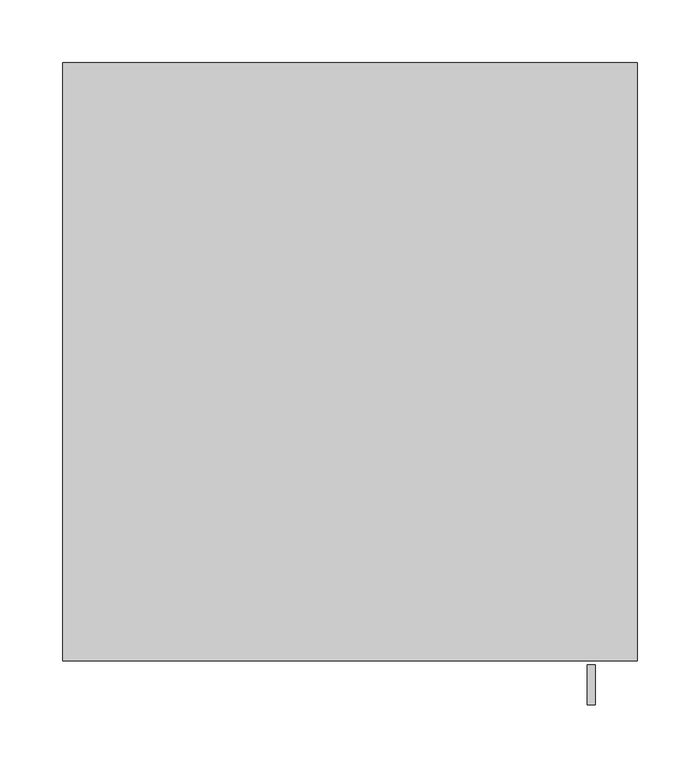
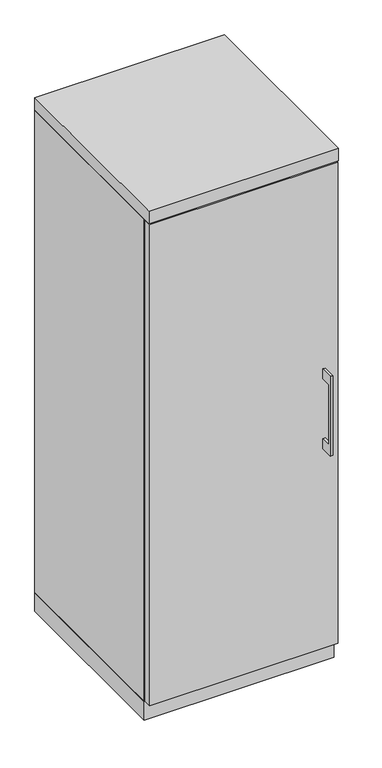
"""IFC4 building model written with IfcOpenShell, lengths in millimetres: furniture geometry."""

from ifc_helpers import new_model, si_unit, frame, origin, origin_with_axes, place, context, project, spatial, polyline, outline, extrude, source, transform, mapped, element, save


def furniture_609f7bac(model_context):
    return source(origin(), model_context, "Body", "SweptSolid", [
        extrude(outline(polyline([(-479.425, 736.6), (-504.8249758, 736.6), (-504.8249758, 584.2), (-479.425, 584.2), (-479.425, 558.8), (-511.1749879, 558.8), (-511.1749879, 762.0), (-479.425, 762.0), (-479.425, 736.6)])), frame((188.9125121, 0.0, 0.0), z_axis=(1.0, 0.0, 0.0), x_axis=(0.0, 1.0, 0.0)), (0.0, 0.0, 1.0), 6.3499758),
        extrude(outline(polyline([(227.0125, -476.25), (-227.0125, -476.25), (-227.0125, -457.2), (227.0125, -457.2), (227.0125, -476.25)])), frame((0.0, 0.0, 47.625), z_axis=(0.0, 0.0, 1.0), x_axis=(1.0, 0.0, 0.0)), (0.0, 0.0, 1.0), 1225.55),
        extrude(outline(polyline([(228.6, 0.0), (228.6, -457.2), (-228.6, -457.2), (-228.6, 0.0), (228.6, 0.0)])), origin_with_axes(), (0.0, 0.0, 1.0), 47.625),
        extrude(outline(polyline([(228.6, 0.0), (228.6, -476.25), (-228.6, -476.25), (-228.6, 0.0), (228.6, 0.0)])), frame((0.0, 0.0, 1276.35), z_axis=(0.0, 0.0, 1.0), x_axis=(1.0, 0.0, 0.0)), (0.0, 0.0, 1.0), 31.75),
        extrude(outline(polyline([(228.6, 0.0), (228.6, -457.2), (209.55, -457.2), (209.55, -19.05), (-209.55, -19.05), (-209.55, -457.2), (-228.6, -457.2), (-228.6, 0.0), (228.6, 0.0)])), frame((0.0, 0.0, 47.625), z_axis=(0.0, 0.0, 1.0), x_axis=(1.0, 0.0, 0.0)), (0.0, 0.0, 1.0), 1228.725),
    ])


if __name__ == "__main__":
    model = new_model("IFC4")
    model_context = context("Model", 3, world=origin())
    ifc_project = project(units=[si_unit("LENGTHUNIT", "METRE", prefix="MILLI")], contexts=[model_context])
    site = spatial("IfcSite", under=ifc_project)
    building = spatial("IfcBuilding", under=site)
    placement = place(None, origin())
    furniture_shape = furniture_609f7bac(model_context)
    element("IfcFurniture", 1, at=placement, inside=building, context=model_context, shape_type="MappedRepresentation", body=[
        mapped(furniture_shape, transform((0.0, 0.0, 0.0), x_axis=(1.0, 0.0, 0.0), y_axis=(0.0, 1.0, 0.0), z_axis=(0.0, 0.0, 1.0))),
    ])
    save(model, "model.ifc")
